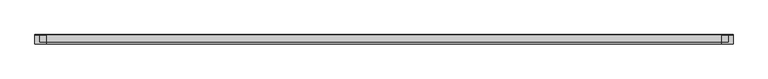
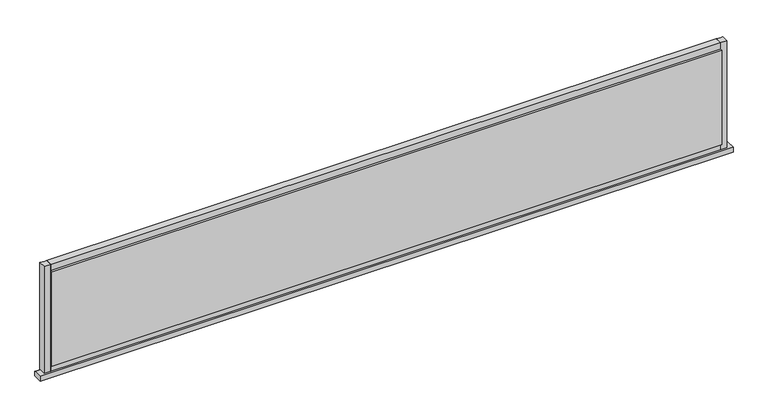
"""IFC4 building model written with IfcOpenShell, lengths in millimetres: plate geometry."""

from ifc_helpers import new_model, si_unit, point, frame, frame_2d, origin, origin_with_axes, place, context, project, spatial, polyline, circle_curve, trimmed, segment, composite_curve, outline, extrude, source, transform, mapped, element, save
from ifc_brep_helpers import plane_surface, cylinder_surface, advanced_brep


def plate_e2295e1e(model_context):
    return source(origin(), model_context, "Body", "SolidModel", [
        advanced_brep(
        [(1046.1471954, -14.0, 0.0), (1046.1471954, -14.0, -15.0), (1046.1471954, 12.3070793, -15.0), (1046.1471954, 13.8070793, -13.4999993), (1046.1471954, 13.8070793, -1.0002427), (1046.1471954, 12.8070793, -0.0002427), (-1046.1471954, -14.0, 0.0), (-1046.1471954, 12.8070793, 0.0), (-1046.1471954, 13.8070793, -1.0002427), (-1046.1471954, 13.8070793, -13.4999993), (-1046.1471954, 12.3070793, -14.9999993), (-1046.1471954, -14.0, -15.0)],
        [
            (0, 1),
            (1, 2),
            (2, 3, circle_curve(frame((1046.1471954, 12.3070793, -13.4999993), z_axis=(1.0, 0.0, 0.0), x_axis=(0.0, 1.0, 0.0)), 1.5)),
            (3, 4),
            (4, 5, circle_curve(frame((1046.1471954, 12.8070793, -1.0002427), z_axis=(1.0, 0.0, 0.0), x_axis=(0.0, 1.0, 0.0)), 1.0)),
            (5, 0),
            (6, 7),
            (7, 8, circle_curve(frame((-1046.1471954, 12.8070793, -1.0002427), z_axis=(-1.0, 0.0, 0.0), x_axis=(0.0, 1.0, 0.0)), 1.0)),
            (8, 9),
            (9, 10, circle_curve(frame((-1046.1471954, 12.3070793, -13.4999993), z_axis=(-1.0, 0.0, 0.0), x_axis=(0.0, 1.0, 0.0)), 1.5)),
            (10, 11),
            (11, 6),
            (0, 6),
            (11, 1),
            (10, 2),
            (5, 7),
            (9, 3),
            (8, 4),
        ],
        [
            plane_surface(frame((1046.1471954, -14.0, 0.0), z_axis=(1.0, 0.0, 0.0), x_axis=(0.0, 0.0, -1.0))),
            plane_surface(frame((-1046.1471954, -14.0, 0.0), z_axis=(-1.0, 0.0, 0.0), x_axis=(0.0, 0.0, 1.0))),
            plane_surface(frame((1046.1471954, -14.0, 0.0), z_axis=(0.0, -1.0, 0.0), x_axis=(-1.0, 0.0, 0.0))),
            plane_surface(frame((1046.1471954, -14.0, -15.0), z_axis=(0.0, 0.0, -1.0), x_axis=(-1.0, 0.0, 0.0))),
            plane_surface(frame((1046.1471954, 12.8070793, 0.0), z_axis=(0.0, 0.0, 1.0), x_axis=(-1.0, 0.0, 0.0))),
            cylinder_surface(frame((-1046.1471954, 12.3070793, -13.4999993), z_axis=(1.0, 0.0, 0.0), x_axis=(0.0, 1.0, 0.0)), 1.5),
            plane_surface(frame((1046.1471954, 13.8070793, -13.4999993), z_axis=(0.0, 1.0, 0.0), x_axis=(-1.0, 0.0, 0.0))),
            cylinder_surface(frame((-1046.1471954, 12.8070793, -1.0002427), z_axis=(1.0, 0.0, 0.0), x_axis=(0.0, 1.0, 0.0)), 1.0),
        ],
        [
            (0, [[1, 2, 3, 4, 5, 6]]),
            (1, [[7, 8, 9, 10, 11, 12]]),
            (2, [[-1, 13, -12, 14]]),
            (3, [[-2, -14, -11, 15]]),
            (4, [[-6, 16, -7, -13]]),
            (5, [[-3, -15, -10, 17]]),
            (6, [[-4, -17, -9, 18]]),
            (7, [[-5, -18, -8, -16]]),
        ],
    ),
        extrude(outline(polyline([(1011.1471954, 14.0), (1011.1471954, 8.0), (-1011.1471954, 8.0), (-1011.1471954, 14.0), (1011.1471954, 14.0)])), frame((0.0, 0.0, 20.0), z_axis=(0.0, 0.0, 1.0), x_axis=(1.0, 0.0, 0.0)), (0.0, 0.0, 1.0), 302.0919278),
        extrude(outline(polyline([(1011.1471954, -8.0), (1011.1471954, -14.0), (-1011.1471954, -14.0), (-1011.1471954, -8.0), (1011.1471954, -8.0)])), frame((0.0, 0.0, 20.0), z_axis=(0.0, 0.0, 1.0), x_axis=(1.0, 0.0, 0.0)), (0.0, 0.0, 1.0), 302.0919278),
        extrude(outline(composite_curve([segment(polyline([(13.499631, 0.0), (-8.0, 0.0), (-8.0, 20.0), (13.499631, 20.0)]), True, "CONTINUOUS"), segment(trimmed(circle_curve(frame_2d((45.6328576, 10.0)), 33.6532948), [point((13.499631, 20.0))], [point((13.499631, 0.0))], True, "CARTESIAN"), True, "CONTINUOUS")], self_intersect=False)), frame((-1011.1471954, 0.0, 0.0), z_axis=(1.0, 0.0, 0.0), x_axis=(0.0, 1.0, 0.0)), (0.0, 0.0, 1.0), 2022.2943908),
        extrude(outline(composite_curve([segment(trimmed(circle_curve(frame_2d((45.6328576, 332.0919278)), 33.6532948), [point((13.499631, 342.0919278))], [point((13.499631, 322.0919278))], True, "CARTESIAN"), True, "CONTINUOUS"), segment(polyline([(13.499631, 322.0919278), (-8.0, 322.0919278), (-8.0, 342.0919278), (13.499631, 342.0919278)]), True, "CONTINUOUS")], self_intersect=False)), frame((-1011.1471954, 0.0, 0.0), z_axis=(1.0, 0.0, 0.0), x_axis=(0.0, 1.0, 0.0)), (0.0, 0.0, 1.0), 2022.2943908),
        extrude(outline(composite_curve([segment(polyline([(1031.1471954, -8.0), (1011.1471954, -8.0), (1011.1471954, 13.5022002)]), True, "CONTINUOUS"), segment(trimmed(circle_curve(frame_2d((1021.0736836, 45.5022747)), 33.5043271), [point((1011.1471954, 13.5022002))], [point((1031.1471954, 13.548178))], True, "CARTESIAN"), True, "CONTINUOUS"), segment(polyline([(1031.1471954, 13.548178), (1031.1471954, -8.0)]), True, "CONTINUOUS")], self_intersect=False)), origin_with_axes(), (0.0, 0.0, 1.0), 342.0919278),
        extrude(outline(composite_curve([segment(polyline([(-1011.1471954, -8.0), (-1031.1471954, -8.0), (-1031.1471954, 13.499631)]), True, "CONTINUOUS"), segment(trimmed(circle_curve(frame_2d((-1021.1471954, 45.6328576)), 33.6532948), [point((-1031.1471954, 13.499631))], [point((-1011.1471954, 13.499631))], True, "CARTESIAN"), True, "CONTINUOUS"), segment(polyline([(-1011.1471954, 13.499631), (-1011.1471954, -8.0)]), True, "CONTINUOUS")], self_intersect=False)), origin_with_axes(), (0.0, 0.0, 1.0), 342.0919278),
    ])


if __name__ == "__main__":
    model = new_model("IFC4")
    model_context = context("Model", 3, world=origin())
    ifc_project = project(units=[si_unit("LENGTHUNIT", "METRE", prefix="MILLI")], contexts=[model_context])
    site = spatial("IfcSite", under=ifc_project)
    building = spatial("IfcBuilding", under=site)
    placement = place(None, origin())
    plate_shape = plate_e2295e1e(model_context)
    element("IfcPlate", 1, at=placement, inside=building, context=model_context, shape_type="MappedRepresentation", body=[
        mapped(plate_shape, transform((0.0, 0.0, 0.0), x_axis=(1.0, 0.0, 0.0), y_axis=(0.0, 1.0, 0.0), z_axis=(0.0, 0.0, 1.0))),
    ])
    save(model, "model.ifc")
